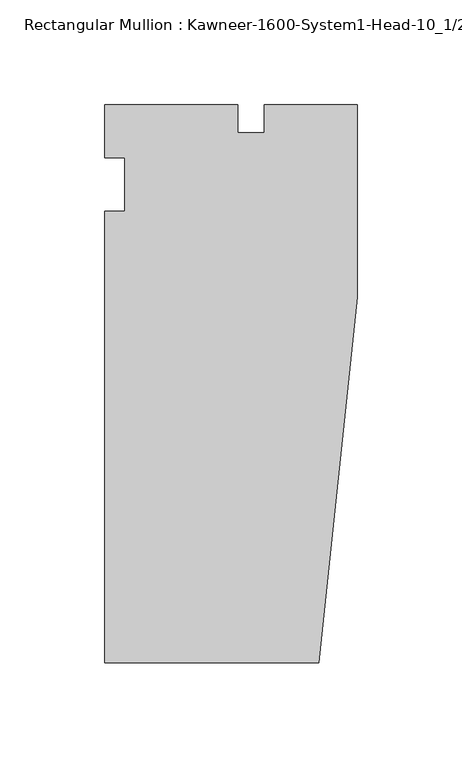
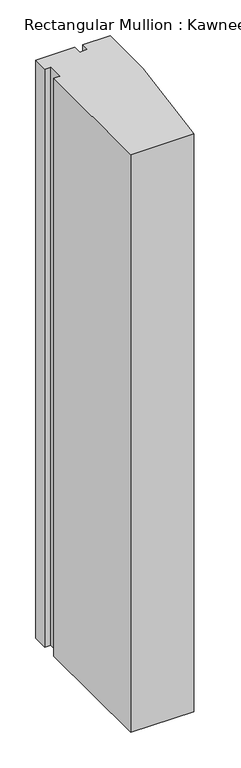
"""IFC4 building model written with IfcOpenShell, lengths in millimetres: member geometry."""

from ifc_helpers import new_model, si_unit, frame, origin, place, context, project, spatial, polyline, outline, extrude, source, transform, mapped, element, save


def member_2f461b21(model_context):
    return source(origin(), model_context, "Body", "SweptSolid", [
        extrude(outline(polyline([(-120.65, -12.7), (-111.125, -12.7), (-111.125, 12.7), (-120.65, 12.7), (-120.65, 38.1), (-57.15, 38.1), (-57.15, 24.60625), (-44.45, 24.60625), (-44.45, 38.1), (0.0, 38.1), (0.0, -53.975), (-18.3538271, -228.6), (-120.65, -228.6), (-120.65, -12.7)])), frame((0.0, 0.0, -990.6), z_axis=(0.0, 0.0, 1.0), x_axis=(1.0, 0.0, 0.0)), (0.0, 0.0, 1.0), 990.6),
    ])


if __name__ == "__main__":
    model = new_model("IFC4")
    model_context = context("Model", 3, world=origin())
    ifc_project = project(units=[si_unit("LENGTHUNIT", "METRE", prefix="MILLI")], contexts=[model_context])
    site = spatial("IfcSite", under=ifc_project)
    building = spatial("IfcBuilding", under=site)
    placement = place(None, origin())
    member_shape = member_2f461b21(model_context)
    element("IfcMember", 1, ObjectType="Rectangular Mullion : Kawneer-1600-System1-Head-10_1/2\"-1\"Infill-1", at=placement, inside=building, context=model_context, shape_type="MappedRepresentation", body=[
        mapped(member_shape, transform((0.0, 0.0, 0.0), x_axis=(1.0, 0.0, 0.0), y_axis=(0.0, 1.0, 0.0), z_axis=(0.0, 0.0, 1.0))),
    ])
    save(model, "model.ifc")
